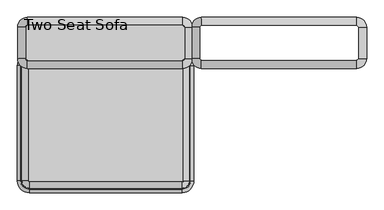
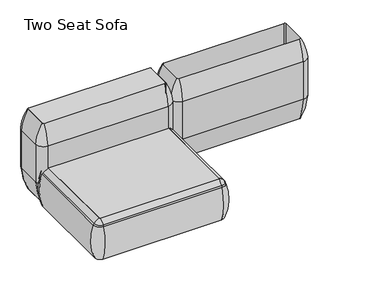
"""IFC4 building model written with IfcOpenShell, lengths in millimetres: furniture geometry, Two Seat Sofa."""

from ifc_helpers import new_model, si_unit, point, frame, frame_2d, origin, place, context, project, spatial, polyline, circle_curve, ellipse_curve, trimmed, segment, composite_curve, outline, extrude, source, transform, mapped, element, save
from ifc_brep_helpers import plane_surface, cylinder_surface, revolved_surface, advanced_brep


def two_seat_sofa_4b68175a(model_context):
    return source(origin(), model_context, "Body", "SolidModel", [
        advanced_brep(
        [(-359.7417225, 103.5149266, 283.1115097), (-359.7417225, 103.5149266, 543.4615097), (-359.7417225, -55.2078555, 543.4615097), (-359.7417225, -55.2078555, 283.1115097), (-400.4680298, 103.5149266, 123.9999984), (-400.4680298, -55.2078555, 123.9999984), (-400.4680298, 103.5149266, 676.7599216), (-400.4680298, -55.2078555, 676.7599216), (-410.293105, -105.759238, 283.1115097), (-410.293105, -105.759238, 543.4615097), (-1200.0197319, -105.759238, 543.4615097), (-1200.0197319, -105.759238, 283.1115097), (-410.293105, -65.0329307, 123.9999984), (-1200.0197319, -65.0329307, 123.9999984), (-410.293105, -65.0329307, 676.7599216), (-1200.0197319, -65.0329307, 676.7599216), (-1250.5711144, -55.2078555, 283.1115097), (-1250.5711144, -55.2078555, 543.4615097), (-1250.5711144, 103.5149266, 543.4615097), (-1250.5711144, 103.5149266, 283.1115097), (-1209.8448071, -55.2078555, 123.9999984), (-1209.8448071, 103.5149266, 123.9999984), (-1209.8448071, -55.2078555, 676.7599216), (-1209.8448071, 103.5149266, 676.7599216), (-1200.0197319, 154.0663091, 283.1115097), (-1200.0197319, 154.0663091, 543.4615097), (-410.293105, 154.0663091, 543.4615097), (-410.293105, 154.0663091, 283.1115097), (-1200.0197319, 113.3400018, 123.9999984), (-410.293105, 113.3400018, 123.9999984), (-1200.0197319, 113.3400018, 676.7599216), (-410.293105, 113.3400018, 676.7599216)],
        [
            (0, 1, circle_curve(frame((-2166.2293647, 103.5149266, 413.2865097), z_axis=(0.0, -1.0, 0.0), x_axis=(1.0, 0.0, 0.0)), 1811.1717567)),
            (1, 2),
            (2, 3, circle_curve(frame((-2166.2293647, -55.2078555, 413.2865097), z_axis=(0.0, 1.0, 0.0), x_axis=(1.0, 0.0, 0.0)), 1811.1717567)),
            (3, 0),
            (4, 0, circle_curve(frame((-820.6848177, 103.5149266, 316.3269417), z_axis=(0.0, -1.0, 0.0), x_axis=(1.0, 0.0, 0.0)), 462.1382931)),
            (3, 5, circle_curve(frame((-820.6848177, -55.2078555, 316.3269417), z_axis=(0.0, 1.0, 0.0), x_axis=(1.0, 0.0, 0.0)), 462.1382931)),
            (5, 4),
            (6, 4),
            (5, 7),
            (7, 6),
            (8, 9, circle_curve(frame((-410.293105, 1700.7284043, 413.2865097), z_axis=(-1.0, 0.0, 0.0), x_axis=(0.0, -1.0, 0.0)), 1811.1717567)),
            (9, 10),
            (10, 11, circle_curve(frame((-1200.0197319, 1700.7284043, 413.2865097), z_axis=(1.0, 0.0, 0.0), x_axis=(0.0, -1.0, 0.0)), 1811.1717567)),
            (11, 8),
            (12, 8, circle_curve(frame((-410.293105, 355.1838572, 316.3269417), z_axis=(-1.0, 0.0, 0.0), x_axis=(0.0, -1.0, 0.0)), 462.1382931)),
            (11, 13, circle_curve(frame((-1200.0197319, 355.1838572, 316.3269417), z_axis=(1.0, 0.0, 0.0), x_axis=(0.0, -1.0, 0.0)), 462.1382931)),
            (13, 12),
            (14, 12),
            (13, 15),
            (15, 14),
            (16, 17, circle_curve(frame((555.9165278, -55.2078555, 413.2865097), z_axis=(0.0, 1.0, 0.0), x_axis=(-1.0, 0.0, 0.0)), 1811.1717567)),
            (17, 18),
            (18, 19, circle_curve(frame((555.9165278, 103.5149266, 413.2865097), z_axis=(0.0, -1.0, 0.0), x_axis=(-1.0, 0.0, 0.0)), 1811.1717567)),
            (19, 16),
            (20, 16, circle_curve(frame((-789.6280192, -55.2078555, 316.3269417), z_axis=(0.0, 1.0, 0.0), x_axis=(-1.0, 0.0, 0.0)), 462.1382931)),
            (19, 21, circle_curve(frame((-789.6280192, 103.5149266, 316.3269417), z_axis=(0.0, -1.0, 0.0), x_axis=(-1.0, 0.0, 0.0)), 462.1382931)),
            (21, 20),
            (22, 20),
            (21, 23),
            (23, 22),
            (24, 25, circle_curve(frame((-1200.0197319, -1652.4213331, 413.2865097), z_axis=(1.0, 0.0, 0.0), x_axis=(0.0, 1.0, 0.0)), 1811.1717567)),
            (25, 26),
            (26, 27, circle_curve(frame((-410.293105, -1652.4213331, 413.2865097), z_axis=(-1.0, 0.0, 0.0), x_axis=(0.0, 1.0, 0.0)), 1811.1717567)),
            (27, 24),
            (28, 24, circle_curve(frame((-1200.0197319, -306.8767861, 316.3269417), z_axis=(1.0, 0.0, 0.0), x_axis=(0.0, 1.0, 0.0)), 462.1382931)),
            (27, 29, circle_curve(frame((-410.293105, -306.8767861, 316.3269417), z_axis=(-1.0, 0.0, 0.0), x_axis=(0.0, 1.0, 0.0)), 462.1382931)),
            (29, 28),
            (30, 28),
            (29, 31),
            (31, 30),
            (0, 27, circle_curve(frame((-410.293105, 103.5149266, 283.1115097), z_axis=(0.0, 0.0, 1.0), x_axis=(0.0, 1.0, 0.0)), 50.5513825)),
            (26, 1, circle_curve(frame((-410.293105, 103.5149266, 543.4615097), z_axis=(0.0, 0.0, -1.0), x_axis=(0.0, 1.0, 0.0)), 50.5513825)),
            (4, 29, circle_curve(frame((-410.293105, 103.5149266, 123.9999984), z_axis=(0.0, 0.0, 1.0), x_axis=(0.0, 1.0, 0.0)), 9.8250752)),
            (6, 31, circle_curve(frame((-410.293105, 103.5149266, 676.7599216), z_axis=(0.0, 0.0, 1.0), x_axis=(0.0, 1.0, 0.0)), 9.8250752)),
            (8, 3, circle_curve(frame((-410.293105, -55.2078555, 283.1115097), z_axis=(0.0, 0.0, 1.0), x_axis=(1.0, 0.0, 0.0)), 50.5513825)),
            (2, 9, circle_curve(frame((-410.293105, -55.2078555, 543.4615097), z_axis=(0.0, 0.0, -1.0), x_axis=(1.0, 0.0, 0.0)), 50.5513825)),
            (12, 5, circle_curve(frame((-410.293105, -55.2078555, 123.9999984), z_axis=(0.0, 0.0, 1.0), x_axis=(1.0, 0.0, 0.0)), 9.8250752)),
            (14, 7, circle_curve(frame((-410.293105, -55.2078555, 676.7599216), z_axis=(0.0, 0.0, 1.0), x_axis=(1.0, 0.0, 0.0)), 9.8250752)),
            (16, 11, circle_curve(frame((-1200.0197319, -55.2078555, 283.1115097), z_axis=(0.0, 0.0, 1.0), x_axis=(0.0, -1.0, 0.0)), 50.5513825)),
            (10, 17, circle_curve(frame((-1200.0197319, -55.2078555, 543.4615097), z_axis=(0.0, 0.0, -1.0), x_axis=(0.0, -1.0, 0.0)), 50.5513825)),
            (20, 13, circle_curve(frame((-1200.0197319, -55.2078555, 123.9999984), z_axis=(0.0, 0.0, 1.0), x_axis=(0.0, -1.0, 0.0)), 9.8250752)),
            (22, 15, circle_curve(frame((-1200.0197319, -55.2078555, 676.7599216), z_axis=(0.0, 0.0, 1.0), x_axis=(0.0, -1.0, 0.0)), 9.8250752)),
            (24, 19, circle_curve(frame((-1200.0197319, 103.5149266, 283.1115097), z_axis=(0.0, 0.0, 1.0), x_axis=(-1.0, 0.0, 0.0)), 50.5513825)),
            (18, 25, circle_curve(frame((-1200.0197319, 103.5149266, 543.4615097), z_axis=(0.0, 0.0, -1.0), x_axis=(-1.0, 0.0, 0.0)), 50.5513825)),
            (28, 21, circle_curve(frame((-1200.0197319, 103.5149266, 123.9999984), z_axis=(0.0, 0.0, 1.0), x_axis=(-1.0, 0.0, 0.0)), 9.8250752)),
            (30, 23, circle_curve(frame((-1200.0197319, 103.5149266, 676.7599216), z_axis=(0.0, 0.0, 1.0), x_axis=(-1.0, 0.0, 0.0)), 9.8250752)),
            (26, 31, circle_curve(frame((-410.293105, -158.0571081, 520.9699825), z_axis=(1.0, 0.0, 0.0), x_axis=(0.0, 1.0, 0.0)), 312.9327346)),
            (6, 1, circle_curve(frame((-671.8651397, 103.5149266, 520.9699825), z_axis=(0.0, 1.0, 0.0), x_axis=(1.0, 0.0, 0.0)), 312.9327346)),
            (7, 2, circle_curve(frame((-671.8651397, -55.2078555, 520.9699825), z_axis=(0.0, 1.0, 0.0), x_axis=(1.0, 0.0, 0.0)), 312.9327346)),
            (14, 9, circle_curve(frame((-410.293105, 206.3641793, 520.9699825), z_axis=(1.0, 0.0, 0.0), x_axis=(0.0, -1.0, 0.0)), 312.9327346)),
            (15, 10, circle_curve(frame((-1200.0197319, 206.3641793, 520.9699825), z_axis=(1.0, 0.0, 0.0), x_axis=(0.0, -1.0, 0.0)), 312.9327346)),
            (22, 17, circle_curve(frame((-938.4476972, -55.2078555, 520.9699825), z_axis=(0.0, -1.0, 0.0), x_axis=(-1.0, 0.0, 0.0)), 312.9327346)),
            (23, 18, circle_curve(frame((-938.4476972, 103.5149266, 520.9699825), z_axis=(0.0, -1.0, 0.0), x_axis=(-1.0, 0.0, 0.0)), 312.9327346)),
            (30, 25, circle_curve(frame((-1200.0197319, -158.0571081, 520.9699825), z_axis=(-1.0, 0.0, 0.0), x_axis=(0.0, 1.0, 0.0)), 312.9327346)),
        ],
        [
            cylinder_surface(frame((-2166.2293647, 103.5149266, 413.2865097), z_axis=(0.0, 1.0, 0.0), x_axis=(1.0, 0.0, 0.0)), 1811.1717567),
            cylinder_surface(frame((-820.6848177, 103.5149266, 316.3269417), z_axis=(0.0, 1.0, 0.0), x_axis=(1.0, 0.0, 0.0)), 462.1382931),
            plane_surface(frame((-400.4680298, 103.5149266, 123.9999984), z_axis=(-1.0, 0.0, 0.0), x_axis=(0.0, -1.0, 0.0))),
            cylinder_surface(frame((-410.293105, 1700.7284043, 413.2865097), z_axis=(1.0, 0.0, 0.0), x_axis=(0.0, -1.0, 0.0)), 1811.1717567),
            cylinder_surface(frame((-410.293105, 355.1838572, 316.3269417), z_axis=(1.0, 0.0, 0.0), x_axis=(0.0, -1.0, 0.0)), 462.1382931),
            plane_surface(frame((-410.293105, -65.0329307, 123.9999984), z_axis=(0.0, 1.0, 0.0), x_axis=(-1.0, 0.0, 0.0))),
            cylinder_surface(frame((555.9165278, -55.2078555, 413.2865097), z_axis=(0.0, -1.0, 0.0), x_axis=(-1.0, 0.0, 0.0)), 1811.1717567),
            cylinder_surface(frame((-789.6280192, -55.2078555, 316.3269417), z_axis=(0.0, -1.0, 0.0), x_axis=(-1.0, 0.0, 0.0)), 462.1382931),
            plane_surface(frame((-1209.8448071, -55.2078555, 123.9999984), z_axis=(1.0, 0.0, 0.0), x_axis=(0.0, 1.0, 0.0))),
            cylinder_surface(frame((-1200.0197319, -1652.4213331, 413.2865097), z_axis=(-1.0, 0.0, 0.0), x_axis=(0.0, 1.0, 0.0)), 1811.1717567),
            cylinder_surface(frame((-1200.0197319, -306.8767861, 316.3269417), z_axis=(-1.0, 0.0, 0.0), x_axis=(0.0, 1.0, 0.0)), 462.1382931),
            plane_surface(frame((-1200.0197319, 113.3400018, 123.9999984), z_axis=(0.0, -1.0, 0.0), x_axis=(1.0, 0.0, 0.0))),
            revolved_surface(trimmed(ellipse_curve(frame((-410.293105, -1652.4213331, 413.2865097), z_axis=(-1.0, 0.0, 0.0), x_axis=(0.0, 1.0, 0.0)), 1811.1717567, 1811.1717567), [point((-410.293105, 154.0663091, 543.4615097))], [point((-410.293105, 154.0663091, 283.1115097))], True, "CARTESIAN"), (-410.293105, 103.5149266, -1.2587073), (0.0, 0.0, -1.0)),
            revolved_surface(trimmed(ellipse_curve(frame((-410.293105, -306.8767861, 316.3269417), z_axis=(-1.0, 0.0, 0.0), x_axis=(0.0, 1.0, 0.0)), 462.1382931, 462.1382931), [point((-410.293105, 154.0663091, 283.1115097))], [point((-410.293105, 113.3400018, 123.9999984))], True, "CARTESIAN"), (-410.293105, 103.5149266, -1.2587073), (0.0, 0.0, -1.0)),
            revolved_surface(polyline([(-410.293105, 113.3400018, 123.9999984), (-410.293105, 113.3400018, 676.7599216)]), (-410.293105, 103.5149266, -1.2587073), (0.0, 0.0, -1.0)),
            revolved_surface(trimmed(ellipse_curve(frame((-2166.2293647, -55.2078555, 413.2865097), z_axis=(0.0, 1.0, 0.0), x_axis=(1.0, 0.0, 0.0)), 1811.1717567, 1811.1717567), [point((-359.7417225, -55.2078555, 543.4615097))], [point((-359.7417225, -55.2078555, 283.1115097))], True, "CARTESIAN"), (-410.293105, -55.2078555, -1.2587073), (0.0, 0.0, -1.0)),
            revolved_surface(trimmed(ellipse_curve(frame((-820.6848177, -55.2078555, 316.3269417), z_axis=(0.0, 1.0, 0.0), x_axis=(1.0, 0.0, 0.0)), 462.1382931, 462.1382931), [point((-359.7417225, -55.2078555, 283.1115097))], [point((-400.4680298, -55.2078555, 123.9999984))], True, "CARTESIAN"), (-410.293105, -55.2078555, -1.2587073), (0.0, 0.0, -1.0)),
            revolved_surface(polyline([(-400.4680298, -55.2078555, 123.9999984), (-400.4680298, -55.2078555, 676.7599216)]), (-410.293105, -55.2078555, -1.2587073), (0.0, 0.0, -1.0)),
            revolved_surface(trimmed(ellipse_curve(frame((-1200.0197319, 1700.7284043, 413.2865097), z_axis=(1.0, 0.0, 0.0), x_axis=(0.0, -1.0, 0.0)), 1811.1717567, 1811.1717567), [point((-1200.0197319, -105.759238, 543.4615097))], [point((-1200.0197319, -105.759238, 283.1115097))], True, "CARTESIAN"), (-1200.0197319, -55.2078555, -1.2587073), (0.0, 0.0, -1.0)),
            revolved_surface(trimmed(ellipse_curve(frame((-1200.0197319, 355.1838572, 316.3269417), z_axis=(1.0, 0.0, 0.0), x_axis=(0.0, -1.0, 0.0)), 462.1382931, 462.1382931), [point((-1200.0197319, -105.759238, 283.1115097))], [point((-1200.0197319, -65.0329307, 123.9999984))], True, "CARTESIAN"), (-1200.0197319, -55.2078555, -1.2587073), (0.0, 0.0, -1.0)),
            revolved_surface(polyline([(-1200.0197319, -65.03293070000001, 123.9999984), (-1200.0197319, -65.03293070000001, 676.7599216)]), (-1200.0197319, -55.2078555, -1.2587073), (0.0, 0.0, -1.0)),
            revolved_surface(trimmed(ellipse_curve(frame((555.9165278, 103.5149266, 413.2865097), z_axis=(0.0, -1.0, 0.0), x_axis=(-1.0, 0.0, 0.0)), 1811.1717567, 1811.1717567), [point((-1250.5711144, 103.5149266, 543.4615097))], [point((-1250.5711144, 103.5149266, 283.1115097))], True, "CARTESIAN"), (-1200.0197319, 103.5149266, -1.2587073), (0.0, 0.0, -1.0)),
            revolved_surface(trimmed(ellipse_curve(frame((-789.6280192, 103.5149266, 316.3269417), z_axis=(0.0, -1.0, 0.0), x_axis=(-1.0, 0.0, 0.0)), 462.1382931, 462.1382931), [point((-1250.5711144, 103.5149266, 283.1115097))], [point((-1209.8448071, 103.5149266, 123.9999984))], True, "CARTESIAN"), (-1200.0197319, 103.5149266, -1.2587073), (0.0, 0.0, -1.0)),
            revolved_surface(polyline([(-1209.8448070999998, 103.5149266, 123.9999984), (-1209.8448070999998, 103.5149266, 676.7599216)]), (-1200.0197319, 103.5149266, -1.2587073), (0.0, 0.0, -1.0)),
            revolved_surface(trimmed(ellipse_curve(frame((-410.293105, -158.0571081, 520.9699825), z_axis=(-1.0, 0.0, 0.0), x_axis=(0.0, 1.0, 0.0)), 312.9327346, 312.9327346), [point((-410.293105, 113.3400018, 676.7599216))], [point((-410.293105, 154.0663091, 543.4615097))], True, "CARTESIAN"), (-410.293105, 103.5149266, -1.2587073), (0.0, 0.0, -1.0)),
            cylinder_surface(frame((-671.8651397, 103.5149266, 520.9699825), z_axis=(0.0, 1.0, 0.0), x_axis=(1.0, 0.0, 0.0)), 312.9327346),
            revolved_surface(trimmed(ellipse_curve(frame((-671.8651397, -55.2078555, 520.9699825), z_axis=(0.0, 1.0, 0.0), x_axis=(1.0, 0.0, 0.0)), 312.9327346, 312.9327346), [point((-400.4680298, -55.2078555, 676.7599216))], [point((-359.7417225, -55.2078555, 543.4615097))], True, "CARTESIAN"), (-410.293105, -55.2078555, -1.2587073), (0.0, 0.0, -1.0)),
            cylinder_surface(frame((-410.293105, 206.3641793, 520.9699825), z_axis=(1.0, 0.0, 0.0), x_axis=(0.0, -1.0, 0.0)), 312.9327346),
            revolved_surface(trimmed(ellipse_curve(frame((-1200.0197319, 206.3641793, 520.9699825), z_axis=(1.0, 0.0, 0.0), x_axis=(0.0, -1.0, 0.0)), 312.9327346, 312.9327346), [point((-1200.0197319, -65.0329307, 676.7599216))], [point((-1200.0197319, -105.759238, 543.4615097))], True, "CARTESIAN"), (-1200.0197319, -55.2078555, -1.2587073), (0.0, 0.0, -1.0)),
            cylinder_surface(frame((-938.4476972, -55.2078555, 520.9699825), z_axis=(0.0, -1.0, 0.0), x_axis=(-1.0, 0.0, 0.0)), 312.9327346),
            revolved_surface(trimmed(ellipse_curve(frame((-938.4476972, 103.5149266, 520.9699825), z_axis=(0.0, -1.0, 0.0), x_axis=(-1.0, 0.0, 0.0)), 312.9327346, 312.9327346), [point((-1209.8448071, 103.5149266, 676.7599216))], [point((-1250.5711144, 103.5149266, 543.4615097))], True, "CARTESIAN"), (-1200.0197319, 103.5149266, -1.2587073), (0.0, 0.0, -1.0)),
            cylinder_surface(frame((-1200.0197319, -158.0571081, 520.9699825), z_axis=(-1.0, 0.0, 0.0), x_axis=(0.0, 1.0, 0.0)), 312.9327346),
        ],
        [
            (0, [[1, 2, 3, 4]]),
            (1, [[5, -4, 6, 7]]),
            (2, [[8, -7, 9, 10]]),
            (3, [[11, 12, 13, 14]]),
            (4, [[15, -14, 16, 17]]),
            (5, [[18, -17, 19, 20]]),
            (6, [[21, 22, 23, 24]]),
            (7, [[25, -24, 26, 27]]),
            (8, [[28, -27, 29, 30]]),
            (9, [[31, 32, 33, 34]]),
            (10, [[35, -34, 36, 37]]),
            (11, [[38, -37, 39, 40]]),
            (12, [[41, -33, 42, -1]]),
            (13, [[43, -36, -41, -5]]),
            (14, [[44, -39, -43, -8]]),
            (15, [[45, -3, 46, -11]]),
            (16, [[47, -6, -45, -15]]),
            (17, [[48, -9, -47, -18]]),
            (18, [[49, -13, 50, -21]]),
            (19, [[51, -16, -49, -25]]),
            (20, [[52, -19, -51, -28]]),
            (21, [[53, -23, 54, -31]]),
            (22, [[55, -26, -53, -35]]),
            (23, [[56, -29, -55, -38]]),
            (24, [[-42, 57, -44, 58]]),
            (25, [[-58, -10, 59, -2]]),
            (26, [[-46, -59, -48, 60]]),
            (27, [[-60, -20, 61, -12]]),
            (28, [[-50, -61, -52, 62]]),
            (29, [[-62, -30, 63, -22]]),
            (30, [[-54, -63, -56, 64]]),
            (31, [[-64, -40, -57, -32]]),
        ],
    ),
        extrude(outline(composite_curve([segment(polyline([(-1209.8448071, -55.2078555), (-1209.8448071, 103.5149266)]), True, "CONTINUOUS"), segment(trimmed(circle_curve(frame_2d((-1200.0197319, 103.5149266)), 9.8250752), [point((-1209.8448071, 103.5149266))], [point((-1200.0197319, 113.3400018))], False, "CARTESIAN"), True, "CONTINUOUS"), segment(polyline([(-1200.0197319, 113.3400018), (-410.293105, 113.3400018)]), True, "CONTINUOUS"), segment(trimmed(circle_curve(frame_2d((-410.293105, 103.5149266)), 9.8250752), [point((-410.293105, 113.3400018))], [point((-400.4680298, 103.5149266))], False, "CARTESIAN"), True, "CONTINUOUS"), segment(polyline([(-400.4680298, 103.5149266), (-400.4680298, -55.2078555)]), True, "CONTINUOUS"), segment(trimmed(circle_curve(frame_2d((-410.293105, -55.2078555)), 9.8250752), [point((-400.4680298, -55.2078555))], [point((-410.293105, -65.0329307))], False, "CARTESIAN"), True, "CONTINUOUS"), segment(polyline([(-410.293105, -65.0329307), (-1200.0197319, -65.0329307)]), True, "CONTINUOUS"), segment(trimmed(circle_curve(frame_2d((-1200.0197319, -55.2078555)), 9.8250752), [point((-1200.0197319, -65.0329307))], [point((-1209.8448071, -55.2078555))], False, "CARTESIAN"), True, "CONTINUOUS")], self_intersect=False)), frame((0.0, 0.0, 123.9999984), z_axis=(0.0, 0.0, 1.0), x_axis=(1.0, 0.0, 0.0)), (0.0, 0.0, 1.0), 552.7599232),
        advanced_brep(
        [(-1197.0550173, -680.3856623, 390.3914007), (-1191.77521, -685.6654695, 390.3914007), (-1191.77521, -685.6654695, 123.9999984), (-1197.0550173, -680.3856623, 123.9999984), (-1225.7430615, -680.3856623, 123.9999984), (-1191.77521, -714.3535137, 123.9999984), (-1191.77521, -722.0329787, 353.7769053), (-1233.4225265, -680.3856623, 353.7769053), (-1197.0550173, -92.2092577, 123.9999984), (-1197.0550173, -92.2092577, 390.3914007), (-1233.4225265, -92.2092577, 353.7769053), (-1225.7430615, -92.2092577, 123.9999984), (-1191.77521, -86.9294504, 390.3914007), (-1191.77521, -86.9294504, 123.9999984), (-1191.77521, -58.2414063, 123.9999984), (-1191.77521, -50.5619412, 353.7769053), (-411.99521, -86.9294504, 123.9999984), (-411.99521, -86.9294504, 390.3914007), (-411.99521, -50.5619412, 353.7769053), (-411.99521, -58.2414063, 123.9999984), (-406.7154028, -92.2092577, 390.3914007), (-406.7154028, -92.2092577, 123.9999984), (-378.0273586, -92.2092577, 123.9999984), (-370.3478936, -92.2092577, 353.7769053), (-406.7154028, -680.3856623, 123.9999984), (-406.7154028, -680.3856623, 390.3914007), (-370.3478936, -680.3856623, 353.7769053), (-378.0273586, -680.3856623, 123.9999984), (-411.99521, -685.6654695, 390.3914007), (-411.99521, -685.6654695, 123.9999984), (-411.99521, -714.3535137, 123.9999984), (-411.99521, -722.0329787, 353.7769053), (-1228.2040666, -680.3856623, 363.6402875), (-1191.77521, -716.8145188, 363.6402875), (-1228.2040666, -92.2092577, 363.6402875), (-1191.77521, -55.7804011, 363.6402875), (-411.99521, -55.7804011, 363.6402875), (-375.5663535, -92.2092577, 363.6402875), (-375.5663535, -680.3856623, 363.6402875), (-411.99521, -716.8145188, 363.6402875)],
        [
            (0, 1, circle_curve(frame((-1191.77521, -680.3856623, 390.3914007), z_axis=(0.0, 0.0, 1.0), x_axis=(0.0, -1.0, 0.0)), 5.2798073)),
            (1, 2),
            (2, 3, circle_curve(frame((-1191.77521, -680.3856623, 123.9999984), z_axis=(0.0, 0.0, -1.0), x_axis=(0.0, -1.0, 0.0)), 5.2798073)),
            (3, 0),
            (4, 5, circle_curve(frame((-1191.77521, -680.3856623, 123.9999984), z_axis=(0.0, 0.0, 1.0), x_axis=(0.0, -1.0, 0.0)), 33.9678514)),
            (5, 6, circle_curve(frame((-1191.77521, -417.9792297, 248.9220234), z_axis=(-1.0, 0.0, 0.0), x_axis=(0.0, -1.0, 0.0)), 321.625914)),
            (6, 7, circle_curve(frame((-1191.77521, -680.3856623, 353.7769053), z_axis=(0.0, 0.0, -1.0), x_axis=(0.0, -1.0, 0.0)), 41.6473165)),
            (7, 4, circle_curve(frame((-929.3687775, -680.3856623, 248.9220234), z_axis=(0.0, -1.0, 0.0), x_axis=(-1.0, 0.0, 0.0)), 321.625914)),
            (3, 8),
            (8, 9),
            (9, 0),
            (7, 10),
            (10, 11, circle_curve(frame((-929.3687775, -92.2092577, 248.9220234), z_axis=(0.0, -1.0, 0.0), x_axis=(-1.0, 0.0, 0.0)), 321.625914)),
            (11, 4),
            (12, 9, circle_curve(frame((-1191.77521, -92.2092577, 390.3914007), z_axis=(0.0, 0.0, 1.0), x_axis=(-1.0, 0.0, 0.0)), 5.2798073)),
            (8, 13, circle_curve(frame((-1191.77521, -92.2092577, 123.9999984), z_axis=(0.0, 0.0, -1.0), x_axis=(-1.0, 0.0, 0.0)), 5.2798073)),
            (13, 12),
            (14, 11, circle_curve(frame((-1191.77521, -92.2092577, 123.9999984), z_axis=(0.0, 0.0, 1.0), x_axis=(-1.0, 0.0, 0.0)), 33.9678514)),
            (10, 15, circle_curve(frame((-1191.77521, -92.2092577, 353.7769053), z_axis=(0.0, 0.0, -1.0), x_axis=(-1.0, 0.0, 0.0)), 41.6473165)),
            (15, 14, circle_curve(frame((-1191.77521, -354.6156902, 248.9220234), z_axis=(-1.0, 0.0, 0.0), x_axis=(0.0, 1.0, 0.0)), 321.625914)),
            (13, 16),
            (16, 17),
            (17, 12),
            (15, 18),
            (18, 19, circle_curve(frame((-411.99521, -354.6156902, 248.9220234), z_axis=(-1.0, 0.0, 0.0), x_axis=(0.0, 1.0, 0.0)), 321.625914)),
            (19, 14),
            (20, 17, circle_curve(frame((-411.99521, -92.2092577, 390.3914007), z_axis=(0.0, 0.0, 1.0), x_axis=(0.0, 1.0, 0.0)), 5.2798073)),
            (16, 21, circle_curve(frame((-411.99521, -92.2092577, 123.9999984), z_axis=(0.0, 0.0, -1.0), x_axis=(0.0, 1.0, 0.0)), 5.2798073)),
            (21, 20),
            (22, 19, circle_curve(frame((-411.99521, -92.2092577, 123.9999984), z_axis=(0.0, 0.0, 1.0), x_axis=(0.0, 1.0, 0.0)), 33.9678514)),
            (18, 23, circle_curve(frame((-411.99521, -92.2092577, 353.7769053), z_axis=(0.0, 0.0, -1.0), x_axis=(0.0, 1.0, 0.0)), 41.6473165)),
            (23, 22, circle_curve(frame((-674.4016426, -92.2092577, 248.9220234), z_axis=(0.0, 1.0, 0.0), x_axis=(1.0, 0.0, 0.0)), 321.625914)),
            (21, 24),
            (24, 25),
            (25, 20),
            (23, 26),
            (26, 27, circle_curve(frame((-674.4016426, -680.3856623, 248.9220234), z_axis=(0.0, 1.0, 0.0), x_axis=(1.0, 0.0, 0.0)), 321.625914)),
            (27, 22),
            (28, 25, circle_curve(frame((-411.99521, -680.3856623, 390.3914007), z_axis=(0.0, 0.0, 1.0), x_axis=(1.0, 0.0, 0.0)), 5.2798073)),
            (24, 29, circle_curve(frame((-411.99521, -680.3856623, 123.9999984), z_axis=(0.0, 0.0, -1.0), x_axis=(1.0, 0.0, 0.0)), 5.2798073)),
            (29, 28),
            (30, 27, circle_curve(frame((-411.99521, -680.3856623, 123.9999984), z_axis=(0.0, 0.0, 1.0), x_axis=(1.0, 0.0, 0.0)), 33.9678514)),
            (26, 31, circle_curve(frame((-411.99521, -680.3856623, 353.7769053), z_axis=(0.0, 0.0, -1.0), x_axis=(1.0, 0.0, 0.0)), 41.6473165)),
            (31, 30, circle_curve(frame((-411.99521, -417.9792297, 248.9220234), z_axis=(1.0, 0.0, 0.0), x_axis=(0.0, -1.0, 0.0)), 321.625914)),
            (30, 5),
            (2, 29),
            (1, 28),
            (31, 6),
            (32, 33, circle_curve(frame((-1191.77521, -680.3856623, 363.6402875), z_axis=(0.0, 0.0, 1.0), x_axis=(0.0, -1.0, 0.0)), 36.4288566)),
            (33, 1, circle_curve(frame((-1191.77521, -641.43285, 307.3762868), z_axis=(-1.0, 0.0, 0.0), x_axis=(0.0, -1.0, 0.0)), 94.0639876)),
            (0, 32, circle_curve(frame((-1152.8223978, -680.3856623, 307.3762868), z_axis=(0.0, -1.0, 0.0), x_axis=(-1.0, 0.0, 0.0)), 94.0639876)),
            (6, 33, circle_curve(frame((-1191.77521, -687.7682596, 341.9604975), z_axis=(-1.0, 0.0, 0.0), x_axis=(0.0, -1.0, 0.0)), 36.2449785)),
            (32, 7, circle_curve(frame((-1199.1578074, -680.3856623, 341.9604975), z_axis=(0.0, -1.0, 0.0), x_axis=(-1.0, 0.0, 0.0)), 36.2449785)),
            (9, 34, circle_curve(frame((-1152.8223978, -92.2092577, 307.3762868), z_axis=(0.0, -1.0, 0.0), x_axis=(-1.0, 0.0, 0.0)), 94.0639876)),
            (34, 32),
            (34, 10, circle_curve(frame((-1199.1578074, -92.2092577, 341.9604975), z_axis=(0.0, -1.0, 0.0), x_axis=(-1.0, 0.0, 0.0)), 36.2449785)),
            (35, 34, circle_curve(frame((-1191.77521, -92.2092577, 363.6402875), z_axis=(0.0, 0.0, 1.0), x_axis=(-1.0, 0.0, 0.0)), 36.4288566)),
            (12, 35, circle_curve(frame((-1191.77521, -131.1620699, 307.3762868), z_axis=(-1.0, 0.0, 0.0), x_axis=(0.0, 1.0, 0.0)), 94.0639876)),
            (35, 15, circle_curve(frame((-1191.77521, -84.8266603, 341.9604975), z_axis=(-1.0, 0.0, 0.0), x_axis=(0.0, 1.0, 0.0)), 36.2449785)),
            (17, 36, circle_curve(frame((-411.99521, -131.1620699, 307.3762868), z_axis=(-1.0, 0.0, 0.0), x_axis=(0.0, 1.0, 0.0)), 94.0639876)),
            (36, 35),
            (36, 18, circle_curve(frame((-411.99521, -84.8266603, 341.9604975), z_axis=(-1.0, 0.0, 0.0), x_axis=(0.0, 1.0, 0.0)), 36.2449785)),
            (37, 36, circle_curve(frame((-411.99521, -92.2092577, 363.6402875), z_axis=(0.0, 0.0, 1.0), x_axis=(0.0, 1.0, 0.0)), 36.4288566)),
            (20, 37, circle_curve(frame((-450.9480223, -92.2092577, 307.3762868), z_axis=(0.0, 1.0, 0.0), x_axis=(1.0, 0.0, 0.0)), 94.0639876)),
            (37, 23, circle_curve(frame((-404.6126126, -92.2092577, 341.9604975), z_axis=(0.0, 1.0, 0.0), x_axis=(1.0, 0.0, 0.0)), 36.2449785)),
            (25, 38, circle_curve(frame((-450.9480223, -680.3856623, 307.3762868), z_axis=(0.0, 1.0, 0.0), x_axis=(1.0, 0.0, 0.0)), 94.0639876)),
            (38, 37),
            (38, 26, circle_curve(frame((-404.6126126, -680.3856623, 341.9604975), z_axis=(0.0, 1.0, 0.0), x_axis=(1.0, 0.0, 0.0)), 36.2449785)),
            (39, 38, circle_curve(frame((-411.99521, -680.3856623, 363.6402875), z_axis=(0.0, 0.0, 1.0), x_axis=(1.0, 0.0, 0.0)), 36.4288566)),
            (28, 39, circle_curve(frame((-411.99521, -641.43285, 307.3762868), z_axis=(1.0, 0.0, 0.0), x_axis=(0.0, -1.0, 0.0)), 94.0639876)),
            (39, 31, circle_curve(frame((-411.99521, -687.7682596, 341.9604975), z_axis=(1.0, 0.0, 0.0), x_axis=(0.0, -1.0, 0.0)), 36.2449785)),
            (33, 39),
        ],
        [
            revolved_surface(polyline([(-1191.77521, -685.6654696, 123.9999984), (-1191.77521, -685.6654696, 390.3914007)]), (-1191.77521, -680.3856623, 0.0), (0.0, 0.0, -1.0)),
            revolved_surface(trimmed(ellipse_curve(frame((-1191.77521, -417.9792297, 248.9220234), z_axis=(1.0, 0.0, 0.0), x_axis=(0.0, -1.0, 0.0)), 321.625914, 321.625914), [point((-1191.77521, -722.0329787, 353.7769053))], [point((-1191.77521, -714.3535137, 123.9999984))], True, "CARTESIAN"), (-1191.77521, -680.3856623, 0.0), (0.0, 0.0, -1.0)),
            plane_surface(frame((-1197.0550173, -680.3856623, 123.9999984), z_axis=(1.0, 0.0, 0.0), x_axis=(0.0, 1.0, 0.0))),
            cylinder_surface(frame((-929.3687775, -680.3856623, 248.9220234), z_axis=(0.0, -1.0, 0.0), x_axis=(-1.0, 0.0, 0.0)), 321.625914),
            revolved_surface(polyline([(-1197.0550173, -92.2092577, 123.9999984), (-1197.0550173, -92.2092577, 390.3914007)]), (-1191.77521, -92.2092577, 0.0), (0.0, 0.0, -1.0)),
            revolved_surface(trimmed(ellipse_curve(frame((-929.3687775, -92.2092577, 248.9220234), z_axis=(0.0, -1.0, 0.0), x_axis=(-1.0, 0.0, 0.0)), 321.625914, 321.625914), [point((-1233.4225265, -92.2092577, 353.7769053))], [point((-1225.7430615, -92.2092577, 123.9999984))], True, "CARTESIAN"), (-1191.77521, -92.2092577, 0.0), (0.0, 0.0, -1.0)),
            plane_surface(frame((-1191.77521, -86.9294504, 123.9999984), z_axis=(0.0, -1.0, 0.0), x_axis=(1.0, 0.0, 0.0))),
            cylinder_surface(frame((-1191.77521, -354.6156902, 248.9220234), z_axis=(-1.0, 0.0, 0.0), x_axis=(0.0, 1.0, 0.0)), 321.625914),
            revolved_surface(polyline([(-411.99521, -86.9294504, 123.9999984), (-411.99521, -86.9294504, 390.3914007)]), (-411.99521, -92.2092577, 0.0), (0.0, 0.0, -1.0)),
            revolved_surface(trimmed(ellipse_curve(frame((-411.99521, -354.6156902, 248.9220234), z_axis=(-1.0, 0.0, 0.0), x_axis=(0.0, 1.0, 0.0)), 321.625914, 321.625914), [point((-411.99521, -50.5619412, 353.7769053))], [point((-411.99521, -58.2414063, 123.9999984))], True, "CARTESIAN"), (-411.99521, -92.2092577, 0.0), (0.0, 0.0, -1.0)),
            plane_surface(frame((-406.7154028, -92.2092577, 123.9999984), z_axis=(-1.0, 0.0, 0.0), x_axis=(0.0, -1.0, 0.0))),
            cylinder_surface(frame((-674.4016426, -92.2092577, 248.9220234), z_axis=(0.0, 1.0, 0.0), x_axis=(1.0, 0.0, 0.0)), 321.625914),
            revolved_surface(polyline([(-406.71540269999997, -680.3856623, 123.9999984), (-406.71540269999997, -680.3856623, 390.3914007)]), (-411.99521, -680.3856623, 0.0), (0.0, 0.0, -1.0)),
            revolved_surface(trimmed(ellipse_curve(frame((-674.4016426, -680.3856623, 248.9220234), z_axis=(0.0, 1.0, 0.0), x_axis=(1.0, 0.0, 0.0)), 321.625914, 321.625914), [point((-370.3478936, -680.3856623, 353.7769053))], [point((-378.0273586, -680.3856623, 123.9999984))], True, "CARTESIAN"), (-411.99521, -680.3856623, 0.0), (0.0, 0.0, -1.0)),
            plane_surface(frame((-411.99521, -714.3535137, 123.9999984), z_axis=(0.0, 0.0, -1.0), x_axis=(-1.0, 0.0, 0.0))),
            plane_surface(frame((-411.99521, -685.6654695, 123.9999984), z_axis=(0.0, 1.0, 0.0), x_axis=(-1.0, 0.0, 0.0))),
            cylinder_surface(frame((-411.99521, -417.9792297, 248.9220234), z_axis=(1.0, 0.0, 0.0), x_axis=(0.0, -1.0, 0.0)), 321.625914),
            revolved_surface(trimmed(ellipse_curve(frame((-1191.77521, -641.43285, 307.3762868), z_axis=(1.0, 0.0, 0.0), x_axis=(0.0, -1.0, 0.0)), 94.0639876, 94.0639876), [point((-1191.77521, -685.6654695, 390.3914007))], [point((-1191.77521, -716.8145188, 363.6402875))], True, "CARTESIAN"), (-1191.77521, -680.3856623, 0.0), (0.0, 0.0, -1.0)),
            revolved_surface(trimmed(ellipse_curve(frame((-1191.77521, -687.7682596, 341.9604975), z_axis=(1.0, 0.0, 0.0), x_axis=(0.0, -1.0, 0.0)), 36.2449785, 36.2449785), [point((-1191.77521, -716.8145188, 363.6402875))], [point((-1191.77521, -722.0329787, 353.7769053))], True, "CARTESIAN"), (-1191.77521, -680.3856623, 0.0), (0.0, 0.0, -1.0)),
            cylinder_surface(frame((-1152.8223978, -680.3856623, 307.3762868), z_axis=(0.0, -1.0, 0.0), x_axis=(-1.0, 0.0, 0.0)), 94.0639876),
            cylinder_surface(frame((-1199.1578074, -680.3856623, 341.9604975), z_axis=(0.0, -1.0, 0.0), x_axis=(-1.0, 0.0, 0.0)), 36.2449785),
            revolved_surface(trimmed(ellipse_curve(frame((-1152.8223978, -92.2092577, 307.3762868), z_axis=(0.0, -1.0, 0.0), x_axis=(-1.0, 0.0, 0.0)), 94.0639876, 94.0639876), [point((-1197.0550173, -92.2092577, 390.3914007))], [point((-1228.2040666, -92.2092577, 363.6402875))], True, "CARTESIAN"), (-1191.77521, -92.2092577, 0.0), (0.0, 0.0, -1.0)),
            revolved_surface(trimmed(ellipse_curve(frame((-1199.1578074, -92.2092577, 341.9604975), z_axis=(0.0, -1.0, 0.0), x_axis=(-1.0, 0.0, 0.0)), 36.2449785, 36.2449785), [point((-1228.2040666, -92.2092577, 363.6402875))], [point((-1233.4225265, -92.2092577, 353.7769053))], True, "CARTESIAN"), (-1191.77521, -92.2092577, 0.0), (0.0, 0.0, -1.0)),
            cylinder_surface(frame((-1191.77521, -131.1620699, 307.3762868), z_axis=(-1.0, 0.0, 0.0), x_axis=(0.0, 1.0, 0.0)), 94.0639876),
            cylinder_surface(frame((-1191.77521, -84.8266603, 341.9604975), z_axis=(-1.0, 0.0, 0.0), x_axis=(0.0, 1.0, 0.0)), 36.2449785),
            revolved_surface(trimmed(ellipse_curve(frame((-411.99521, -131.1620699, 307.3762868), z_axis=(-1.0, 0.0, 0.0), x_axis=(0.0, 1.0, 0.0)), 94.0639876, 94.0639876), [point((-411.99521, -86.9294504, 390.3914007))], [point((-411.99521, -55.7804011, 363.6402875))], True, "CARTESIAN"), (-411.99521, -92.2092577, 0.0), (0.0, 0.0, -1.0)),
            revolved_surface(trimmed(ellipse_curve(frame((-411.99521, -84.8266603, 341.9604975), z_axis=(-1.0, 0.0, 0.0), x_axis=(0.0, 1.0, 0.0)), 36.2449785, 36.2449785), [point((-411.99521, -55.7804011, 363.6402875))], [point((-411.99521, -50.5619412, 353.7769053))], True, "CARTESIAN"), (-411.99521, -92.2092577, 0.0), (0.0, 0.0, -1.0)),
            cylinder_surface(frame((-450.9480223, -92.2092577, 307.3762868), z_axis=(0.0, 1.0, 0.0), x_axis=(1.0, 0.0, 0.0)), 94.0639876),
            cylinder_surface(frame((-404.6126126, -92.2092577, 341.9604975), z_axis=(0.0, 1.0, 0.0), x_axis=(1.0, 0.0, 0.0)), 36.2449785),
            revolved_surface(trimmed(ellipse_curve(frame((-450.9480223, -680.3856623, 307.3762868), z_axis=(0.0, 1.0, 0.0), x_axis=(1.0, 0.0, 0.0)), 94.0639876, 94.0639876), [point((-406.7154028, -680.3856623, 390.3914007))], [point((-375.5663535, -680.3856623, 363.6402875))], True, "CARTESIAN"), (-411.99521, -680.3856623, 0.0), (0.0, 0.0, -1.0)),
            revolved_surface(trimmed(ellipse_curve(frame((-404.6126126, -680.3856623, 341.9604975), z_axis=(0.0, 1.0, 0.0), x_axis=(1.0, 0.0, 0.0)), 36.2449785, 36.2449785), [point((-375.5663535, -680.3856623, 363.6402875))], [point((-370.3478936, -680.3856623, 353.7769053))], True, "CARTESIAN"), (-411.99521, -680.3856623, 0.0), (0.0, 0.0, -1.0)),
            cylinder_surface(frame((-411.99521, -641.43285, 307.3762868), z_axis=(1.0, 0.0, 0.0), x_axis=(0.0, -1.0, 0.0)), 94.0639876),
            cylinder_surface(frame((-411.99521, -687.7682596, 341.9604975), z_axis=(1.0, 0.0, 0.0), x_axis=(0.0, -1.0, 0.0)), 36.2449785),
        ],
        [
            (0, [[1, 2, 3, 4]]),
            (1, [[5, 6, 7, 8]]),
            (2, [[-4, 9, 10, 11]]),
            (3, [[-8, 12, 13, 14]]),
            (4, [[15, -10, 16, 17]]),
            (5, [[18, -13, 19, 20]]),
            (6, [[-17, 21, 22, 23]]),
            (7, [[-20, 24, 25, 26]]),
            (8, [[27, -22, 28, 29]]),
            (9, [[30, -25, 31, 32]]),
            (10, [[-29, 33, 34, 35]]),
            (11, [[-32, 36, 37, 38]]),
            (12, [[39, -34, 40, 41]]),
            (13, [[42, -37, 43, 44]]),
            (14, [[-38, -42, 45, -5, -14, -18, -26, -30], [46, -40, -33, -28, -21, -16, -9, -3]]),
            (15, [[-41, -46, -2, 47]]),
            (16, [[-44, 48, -6, -45]]),
            (17, [[49, 50, -1, 51]]),
            (18, [[-7, 52, -49, 53]]),
            (19, [[-51, -11, 54, 55]]),
            (20, [[-53, -55, 56, -12]]),
            (21, [[57, -54, -15, 58]]),
            (22, [[-19, -56, -57, 59]]),
            (23, [[-58, -23, 60, 61]]),
            (24, [[-59, -61, 62, -24]]),
            (25, [[63, -60, -27, 64]]),
            (26, [[-31, -62, -63, 65]]),
            (27, [[-64, -35, 66, 67]]),
            (28, [[-65, -67, 68, -36]]),
            (29, [[69, -66, -39, 70]]),
            (30, [[-43, -68, -69, 71]]),
            (31, [[-70, -47, -50, 72]]),
            (32, [[-71, -72, -52, -48]]),
        ],
    ),
        extrude(outline(composite_curve([segment(trimmed(circle_curve(frame_2d((-411.99521, -680.3856623)), 5.2798073), [point((-406.7154028, -680.3856623))], [point((-411.99521, -685.6654695))], False, "CARTESIAN"), True, "CONTINUOUS"), segment(polyline([(-411.99521, -685.6654695), (-1191.77521, -685.6654695)]), True, "CONTINUOUS"), segment(trimmed(circle_curve(frame_2d((-1191.77521, -680.3856623)), 5.2798073), [point((-1191.77521, -685.6654695))], [point((-1197.0550173, -680.3856623))], False, "CARTESIAN"), True, "CONTINUOUS"), segment(polyline([(-1197.0550173, -680.3856623), (-1197.0550173, -92.2092577)]), True, "CONTINUOUS"), segment(trimmed(circle_curve(frame_2d((-1191.77521, -92.2092577)), 5.2798073), [point((-1197.0550173, -92.2092577))], [point((-1191.77521, -86.9294504))], False, "CARTESIAN"), True, "CONTINUOUS"), segment(polyline([(-1191.77521, -86.9294504), (-411.99521, -86.9294504)]), True, "CONTINUOUS"), segment(trimmed(circle_curve(frame_2d((-411.99521, -92.2092577)), 5.2798073), [point((-411.99521, -86.9294504))], [point((-406.7154028, -92.2092577))], False, "CARTESIAN"), True, "CONTINUOUS"), segment(polyline([(-406.7154028, -92.2092577), (-406.7154028, -680.3856623)]), True, "CONTINUOUS")], self_intersect=False)), frame((0.0, 0.0, 123.9999984), z_axis=(0.0, 0.0, 1.0), x_axis=(1.0, 0.0, 0.0)), (0.0, 0.0, 1.0), 266.3914023),
        advanced_brep(
        [(525.7644124, 103.5149266, 283.1115097), (525.7644124, 103.5149266, 543.4615097), (525.7644124, -55.2078555, 543.4615097), (525.7644124, -55.2078555, 283.1115097), (485.0381051, 103.5149266, 123.9999984), (485.0381051, -55.2078555, 123.9999984), (485.0381051, 103.5149266, 676.7599216), (485.0381051, -55.2078555, 676.7599216), (475.2130299, -105.759238, 283.1115097), (475.2130299, -105.759238, 543.4615097), (-314.513597, -105.759238, 543.4615097), (-314.513597, -105.759238, 283.1115097), (475.2130299, -65.0329307, 123.9999984), (-314.513597, -65.0329307, 123.9999984), (475.2130299, -65.0329307, 676.7599216), (-314.513597, -65.0329307, 676.7599216), (-365.0649796, -55.2078555, 283.1115097), (-365.0649796, -55.2078555, 543.4615097), (-365.0649796, 103.5149266, 543.4615097), (-365.0649796, 103.5149266, 283.1115097), (-324.3386722, -55.2078555, 123.9999984), (-324.3386722, 103.5149266, 123.9999984), (-324.3386722, -55.2078555, 676.7599216), (-324.3386722, 103.5149266, 676.7599216), (-314.513597, 154.0663091, 283.1115097), (-314.513597, 154.0663091, 543.4615097), (475.2130299, 154.0663091, 543.4615097), (475.2130299, 154.0663091, 283.1115097), (-314.513597, 113.3400018, 123.9999984), (475.2130299, 113.3400018, 123.9999984), (-314.513597, 113.3400018, 676.7599216), (475.2130299, 113.3400018, 676.7599216)],
        [
            (0, 1, circle_curve(frame((-1280.7232298, 103.5149266, 413.2865097), z_axis=(0.0, -1.0, 0.0), x_axis=(1.0, 0.0, 0.0)), 1811.1717567)),
            (1, 2),
            (2, 3, circle_curve(frame((-1280.7232298, -55.2078555, 413.2865097), z_axis=(0.0, 1.0, 0.0), x_axis=(1.0, 0.0, 0.0)), 1811.1717567)),
            (3, 0),
            (4, 0, circle_curve(frame((64.8213172, 103.5149266, 316.3269417), z_axis=(0.0, -1.0, 0.0), x_axis=(1.0, 0.0, 0.0)), 462.1382931)),
            (3, 5, circle_curve(frame((64.8213172, -55.2078555, 316.3269417), z_axis=(0.0, 1.0, 0.0), x_axis=(1.0, 0.0, 0.0)), 462.1382931)),
            (5, 4),
            (6, 4),
            (5, 7),
            (7, 6),
            (8, 9, circle_curve(frame((475.2130299, 1700.7284043, 413.2865097), z_axis=(-1.0, 0.0, 0.0), x_axis=(0.0, -1.0, 0.0)), 1811.1717567)),
            (9, 10),
            (10, 11, circle_curve(frame((-314.513597, 1700.7284043, 413.2865097), z_axis=(1.0, 0.0, 0.0), x_axis=(0.0, -1.0, 0.0)), 1811.1717567)),
            (11, 8),
            (12, 8, circle_curve(frame((475.2130299, 355.1838572, 316.3269417), z_axis=(-1.0, 0.0, 0.0), x_axis=(0.0, -1.0, 0.0)), 462.1382931)),
            (11, 13, circle_curve(frame((-314.513597, 355.1838572, 316.3269417), z_axis=(1.0, 0.0, 0.0), x_axis=(0.0, -1.0, 0.0)), 462.1382931)),
            (13, 12),
            (14, 12),
            (13, 15),
            (15, 14),
            (16, 17, circle_curve(frame((1441.4226627, -55.2078555, 413.2865097), z_axis=(0.0, 1.0, 0.0), x_axis=(-1.0, 0.0, 0.0)), 1811.1717567)),
            (17, 18),
            (18, 19, circle_curve(frame((1441.4226627, 103.5149266, 413.2865097), z_axis=(0.0, -1.0, 0.0), x_axis=(-1.0, 0.0, 0.0)), 1811.1717567)),
            (19, 16),
            (20, 16, circle_curve(frame((95.8781157, -55.2078555, 316.3269417), z_axis=(0.0, 1.0, 0.0), x_axis=(-1.0, 0.0, 0.0)), 462.1382931)),
            (19, 21, circle_curve(frame((95.8781157, 103.5149266, 316.3269417), z_axis=(0.0, -1.0, 0.0), x_axis=(-1.0, 0.0, 0.0)), 462.1382931)),
            (21, 20),
            (22, 20),
            (21, 23),
            (23, 22),
            (24, 25, circle_curve(frame((-314.513597, -1652.4213331, 413.2865097), z_axis=(1.0, 0.0, 0.0), x_axis=(0.0, 1.0, 0.0)), 1811.1717567)),
            (25, 26),
            (26, 27, circle_curve(frame((475.2130299, -1652.4213331, 413.2865097), z_axis=(-1.0, 0.0, 0.0), x_axis=(0.0, 1.0, 0.0)), 1811.1717567)),
            (27, 24),
            (28, 24, circle_curve(frame((-314.513597, -306.8767861, 316.3269417), z_axis=(1.0, 0.0, 0.0), x_axis=(0.0, 1.0, 0.0)), 462.1382931)),
            (27, 29, circle_curve(frame((475.2130299, -306.8767861, 316.3269417), z_axis=(-1.0, 0.0, 0.0), x_axis=(0.0, 1.0, 0.0)), 462.1382931)),
            (29, 28),
            (30, 28),
            (29, 31),
            (31, 30),
            (0, 27, circle_curve(frame((475.2130299, 103.5149266, 283.1115097), z_axis=(0.0, 0.0, 1.0), x_axis=(0.0, 1.0, 0.0)), 50.5513825)),
            (26, 1, circle_curve(frame((475.2130299, 103.5149266, 543.4615097), z_axis=(0.0, 0.0, -1.0), x_axis=(0.0, 1.0, 0.0)), 50.5513825)),
            (4, 29, circle_curve(frame((475.2130299, 103.5149266, 123.9999984), z_axis=(0.0, 0.0, 1.0), x_axis=(0.0, 1.0, 0.0)), 9.8250752)),
            (6, 31, circle_curve(frame((475.2130299, 103.5149266, 676.7599216), z_axis=(0.0, 0.0, 1.0), x_axis=(0.0, 1.0, 0.0)), 9.8250752)),
            (8, 3, circle_curve(frame((475.2130299, -55.2078555, 283.1115097), z_axis=(0.0, 0.0, 1.0), x_axis=(1.0, 0.0, 0.0)), 50.5513825)),
            (2, 9, circle_curve(frame((475.2130299, -55.2078555, 543.4615097), z_axis=(0.0, 0.0, -1.0), x_axis=(1.0, 0.0, 0.0)), 50.5513825)),
            (12, 5, circle_curve(frame((475.2130299, -55.2078555, 123.9999984), z_axis=(0.0, 0.0, 1.0), x_axis=(1.0, 0.0, 0.0)), 9.8250752)),
            (14, 7, circle_curve(frame((475.2130299, -55.2078555, 676.7599216), z_axis=(0.0, 0.0, 1.0), x_axis=(1.0, 0.0, 0.0)), 9.8250752)),
            (16, 11, circle_curve(frame((-314.513597, -55.2078555, 283.1115097), z_axis=(0.0, 0.0, 1.0), x_axis=(0.0, -1.0, 0.0)), 50.5513825)),
            (10, 17, circle_curve(frame((-314.513597, -55.2078555, 543.4615097), z_axis=(0.0, 0.0, -1.0), x_axis=(0.0, -1.0, 0.0)), 50.5513825)),
            (20, 13, circle_curve(frame((-314.513597, -55.2078555, 123.9999984), z_axis=(0.0, 0.0, 1.0), x_axis=(0.0, -1.0, 0.0)), 9.8250752)),
            (22, 15, circle_curve(frame((-314.513597, -55.2078555, 676.7599216), z_axis=(0.0, 0.0, 1.0), x_axis=(0.0, -1.0, 0.0)), 9.8250752)),
            (24, 19, circle_curve(frame((-314.513597, 103.5149266, 283.1115097), z_axis=(0.0, 0.0, 1.0), x_axis=(-1.0, 0.0, 0.0)), 50.5513825)),
            (18, 25, circle_curve(frame((-314.513597, 103.5149266, 543.4615097), z_axis=(0.0, 0.0, -1.0), x_axis=(-1.0, 0.0, 0.0)), 50.5513825)),
            (28, 21, circle_curve(frame((-314.513597, 103.5149266, 123.9999984), z_axis=(0.0, 0.0, 1.0), x_axis=(-1.0, 0.0, 0.0)), 9.8250752)),
            (30, 23, circle_curve(frame((-314.513597, 103.5149266, 676.7599216), z_axis=(0.0, 0.0, 1.0), x_axis=(-1.0, 0.0, 0.0)), 9.8250752)),
            (26, 31, circle_curve(frame((475.2130299, -158.0571081, 520.9699825), z_axis=(1.0, 0.0, 0.0), x_axis=(0.0, 1.0, 0.0)), 312.9327346)),
            (6, 1, circle_curve(frame((213.6409952, 103.5149266, 520.9699825), z_axis=(0.0, 1.0, 0.0), x_axis=(1.0, 0.0, 0.0)), 312.9327346)),
            (7, 2, circle_curve(frame((213.6409952, -55.2078555, 520.9699825), z_axis=(0.0, 1.0, 0.0), x_axis=(1.0, 0.0, 0.0)), 312.9327346)),
            (14, 9, circle_curve(frame((475.2130299, 206.3641793, 520.9699825), z_axis=(1.0, 0.0, 0.0), x_axis=(0.0, -1.0, 0.0)), 312.9327346)),
            (15, 10, circle_curve(frame((-314.513597, 206.3641793, 520.9699825), z_axis=(1.0, 0.0, 0.0), x_axis=(0.0, -1.0, 0.0)), 312.9327346)),
            (22, 17, circle_curve(frame((-52.9415623, -55.2078555, 520.9699825), z_axis=(0.0, -1.0, 0.0), x_axis=(-1.0, 0.0, 0.0)), 312.9327346)),
            (23, 18, circle_curve(frame((-52.9415623, 103.5149266, 520.9699825), z_axis=(0.0, -1.0, 0.0), x_axis=(-1.0, 0.0, 0.0)), 312.9327346)),
            (30, 25, circle_curve(frame((-314.513597, -158.0571081, 520.9699825), z_axis=(-1.0, 0.0, 0.0), x_axis=(0.0, 1.0, 0.0)), 312.9327346)),
        ],
        [
            cylinder_surface(frame((-1280.7232298, 103.5149266, 413.2865097), z_axis=(0.0, 1.0, 0.0), x_axis=(1.0, 0.0, 0.0)), 1811.1717567),
            cylinder_surface(frame((64.8213172, 103.5149266, 316.3269417), z_axis=(0.0, 1.0, 0.0), x_axis=(1.0, 0.0, 0.0)), 462.1382931),
            plane_surface(frame((485.0381051, 103.5149266, 123.9999984), z_axis=(-1.0, 0.0, 0.0), x_axis=(0.0, -1.0, 0.0))),
            cylinder_surface(frame((475.2130299, 1700.7284043, 413.2865097), z_axis=(1.0, 0.0, 0.0), x_axis=(0.0, -1.0, 0.0)), 1811.1717567),
            cylinder_surface(frame((475.2130299, 355.1838572, 316.3269417), z_axis=(1.0, 0.0, 0.0), x_axis=(0.0, -1.0, 0.0)), 462.1382931),
            plane_surface(frame((475.2130299, -65.0329307, 123.9999984), z_axis=(0.0, 1.0, 0.0), x_axis=(-1.0, 0.0, 0.0))),
            cylinder_surface(frame((1441.4226627, -55.2078555, 413.2865097), z_axis=(0.0, -1.0, 0.0), x_axis=(-1.0, 0.0, 0.0)), 1811.1717567),
            cylinder_surface(frame((95.8781157, -55.2078555, 316.3269417), z_axis=(0.0, -1.0, 0.0), x_axis=(-1.0, 0.0, 0.0)), 462.1382931),
            plane_surface(frame((-324.3386722, -55.2078555, 123.9999984), z_axis=(1.0, 0.0, 0.0), x_axis=(0.0, 1.0, 0.0))),
            cylinder_surface(frame((-314.513597, -1652.4213331, 413.2865097), z_axis=(-1.0, 0.0, 0.0), x_axis=(0.0, 1.0, 0.0)), 1811.1717567),
            cylinder_surface(frame((-314.513597, -306.8767861, 316.3269417), z_axis=(-1.0, 0.0, 0.0), x_axis=(0.0, 1.0, 0.0)), 462.1382931),
            plane_surface(frame((-314.513597, 113.3400018, 123.9999984), z_axis=(0.0, -1.0, 0.0), x_axis=(1.0, 0.0, 0.0))),
            revolved_surface(trimmed(ellipse_curve(frame((475.2130299, -1652.4213331, 413.2865097), z_axis=(-1.0, 0.0, 0.0), x_axis=(0.0, 1.0, 0.0)), 1811.1717567, 1811.1717567), [point((475.2130299, 154.0663091, 543.4615097))], [point((475.2130299, 154.0663091, 283.1115097))], True, "CARTESIAN"), (475.2130299, 103.5149266, -1.2587073), (0.0, 0.0, -1.0)),
            revolved_surface(trimmed(ellipse_curve(frame((475.2130299, -306.8767861, 316.3269417), z_axis=(-1.0, 0.0, 0.0), x_axis=(0.0, 1.0, 0.0)), 462.1382931, 462.1382931), [point((475.2130299, 154.0663091, 283.1115097))], [point((475.2130299, 113.3400018, 123.9999984))], True, "CARTESIAN"), (475.2130299, 103.5149266, -1.2587073), (0.0, 0.0, -1.0)),
            revolved_surface(polyline([(475.2130299, 113.3400018, 123.9999984), (475.2130299, 113.3400018, 676.7599216)]), (475.2130299, 103.5149266, -1.2587073), (0.0, 0.0, -1.0)),
            revolved_surface(trimmed(ellipse_curve(frame((-1280.7232298, -55.2078555, 413.2865097), z_axis=(0.0, 1.0, 0.0), x_axis=(1.0, 0.0, 0.0)), 1811.1717567, 1811.1717567), [point((525.7644124, -55.2078555, 543.4615097))], [point((525.7644124, -55.2078555, 283.1115097))], True, "CARTESIAN"), (475.2130299, -55.2078555, -1.2587073), (0.0, 0.0, -1.0)),
            revolved_surface(trimmed(ellipse_curve(frame((64.8213172, -55.2078555, 316.3269417), z_axis=(0.0, 1.0, 0.0), x_axis=(1.0, 0.0, 0.0)), 462.1382931, 462.1382931), [point((525.7644124, -55.2078555, 283.1115097))], [point((485.0381051, -55.2078555, 123.9999984))], True, "CARTESIAN"), (475.2130299, -55.2078555, -1.2587073), (0.0, 0.0, -1.0)),
            revolved_surface(polyline([(485.0381051, -55.2078555, 123.9999984), (485.0381051, -55.2078555, 676.7599216)]), (475.2130299, -55.2078555, -1.2587073), (0.0, 0.0, -1.0)),
            revolved_surface(trimmed(ellipse_curve(frame((-314.513597, 1700.7284043, 413.2865097), z_axis=(1.0, 0.0, 0.0), x_axis=(0.0, -1.0, 0.0)), 1811.1717567, 1811.1717567), [point((-314.513597, -105.759238, 543.4615097))], [point((-314.513597, -105.759238, 283.1115097))], True, "CARTESIAN"), (-314.513597, -55.2078555, -1.2587073), (0.0, 0.0, -1.0)),
            revolved_surface(trimmed(ellipse_curve(frame((-314.513597, 355.1838572, 316.3269417), z_axis=(1.0, 0.0, 0.0), x_axis=(0.0, -1.0, 0.0)), 462.1382931, 462.1382931), [point((-314.513597, -105.759238, 283.1115097))], [point((-314.513597, -65.0329307, 123.9999984))], True, "CARTESIAN"), (-314.513597, -55.2078555, -1.2587073), (0.0, 0.0, -1.0)),
            revolved_surface(polyline([(-314.513597, -65.03293070000001, 123.9999984), (-314.513597, -65.03293070000001, 676.7599216)]), (-314.513597, -55.2078555, -1.2587073), (0.0, 0.0, -1.0)),
            revolved_surface(trimmed(ellipse_curve(frame((1441.4226627, 103.5149266, 413.2865097), z_axis=(0.0, -1.0, 0.0), x_axis=(-1.0, 0.0, 0.0)), 1811.1717567, 1811.1717567), [point((-365.0649796, 103.5149266, 543.4615097))], [point((-365.0649796, 103.5149266, 283.1115097))], True, "CARTESIAN"), (-314.513597, 103.5149266, -1.2587073), (0.0, 0.0, -1.0)),
            revolved_surface(trimmed(ellipse_curve(frame((95.8781157, 103.5149266, 316.3269417), z_axis=(0.0, -1.0, 0.0), x_axis=(-1.0, 0.0, 0.0)), 462.1382931, 462.1382931), [point((-365.0649796, 103.5149266, 283.1115097))], [point((-324.3386722, 103.5149266, 123.9999984))], True, "CARTESIAN"), (-314.513597, 103.5149266, -1.2587073), (0.0, 0.0, -1.0)),
            revolved_surface(polyline([(-324.3386722, 103.5149266, 123.9999984), (-324.3386722, 103.5149266, 676.7599216)]), (-314.513597, 103.5149266, -1.2587073), (0.0, 0.0, -1.0)),
            revolved_surface(trimmed(ellipse_curve(frame((475.2130299, -158.0571081, 520.9699825), z_axis=(-1.0, 0.0, 0.0), x_axis=(0.0, 1.0, 0.0)), 312.9327346, 312.9327346), [point((475.2130299, 113.3400018, 676.7599216))], [point((475.2130299, 154.0663091, 543.4615097))], True, "CARTESIAN"), (475.2130299, 103.5149266, -1.2587073), (0.0, 0.0, -1.0)),
            cylinder_surface(frame((213.6409952, 103.5149266, 520.9699825), z_axis=(0.0, 1.0, 0.0), x_axis=(1.0, 0.0, 0.0)), 312.9327346),
            revolved_surface(trimmed(ellipse_curve(frame((213.6409952, -55.2078555, 520.9699825), z_axis=(0.0, 1.0, 0.0), x_axis=(1.0, 0.0, 0.0)), 312.9327346, 312.9327346), [point((485.0381051, -55.2078555, 676.7599216))], [point((525.7644124, -55.2078555, 543.4615097))], True, "CARTESIAN"), (475.2130299, -55.2078555, -1.2587073), (0.0, 0.0, -1.0)),
            cylinder_surface(frame((475.2130299, 206.3641793, 520.9699825), z_axis=(1.0, 0.0, 0.0), x_axis=(0.0, -1.0, 0.0)), 312.9327346),
            revolved_surface(trimmed(ellipse_curve(frame((-314.513597, 206.3641793, 520.9699825), z_axis=(1.0, 0.0, 0.0), x_axis=(0.0, -1.0, 0.0)), 312.9327346, 312.9327346), [point((-314.513597, -65.0329307, 676.7599216))], [point((-314.513597, -105.759238, 543.4615097))], True, "CARTESIAN"), (-314.513597, -55.2078555, -1.2587073), (0.0, 0.0, -1.0)),
            cylinder_surface(frame((-52.9415623, -55.2078555, 520.9699825), z_axis=(0.0, -1.0, 0.0), x_axis=(-1.0, 0.0, 0.0)), 312.9327346),
            revolved_surface(trimmed(ellipse_curve(frame((-52.9415623, 103.5149266, 520.9699825), z_axis=(0.0, -1.0, 0.0), x_axis=(-1.0, 0.0, 0.0)), 312.9327346, 312.9327346), [point((-324.3386722, 103.5149266, 676.7599216))], [point((-365.0649796, 103.5149266, 543.4615097))], True, "CARTESIAN"), (-314.513597, 103.5149266, -1.2587073), (0.0, 0.0, -1.0)),
            cylinder_surface(frame((-314.513597, -158.0571081, 520.9699825), z_axis=(-1.0, 0.0, 0.0), x_axis=(0.0, 1.0, 0.0)), 312.9327346),
        ],
        [
            (0, [[1, 2, 3, 4]]),
            (1, [[5, -4, 6, 7]]),
            (2, [[8, -7, 9, 10]]),
            (3, [[11, 12, 13, 14]]),
            (4, [[15, -14, 16, 17]]),
            (5, [[18, -17, 19, 20]]),
            (6, [[21, 22, 23, 24]]),
            (7, [[25, -24, 26, 27]]),
            (8, [[28, -27, 29, 30]]),
            (9, [[31, 32, 33, 34]]),
            (10, [[35, -34, 36, 37]]),
            (11, [[38, -37, 39, 40]]),
            (12, [[41, -33, 42, -1]]),
            (13, [[43, -36, -41, -5]]),
            (14, [[44, -39, -43, -8]]),
            (15, [[45, -3, 46, -11]]),
            (16, [[47, -6, -45, -15]]),
            (17, [[48, -9, -47, -18]]),
            (18, [[49, -13, 50, -21]]),
            (19, [[51, -16, -49, -25]]),
            (20, [[52, -19, -51, -28]]),
            (21, [[53, -23, 54, -31]]),
            (22, [[55, -26, -53, -35]]),
            (23, [[56, -29, -55, -38]]),
            (24, [[-42, 57, -44, 58]]),
            (25, [[-58, -10, 59, -2]]),
            (26, [[-46, -59, -48, 60]]),
            (27, [[-60, -20, 61, -12]]),
            (28, [[-50, -61, -52, 62]]),
            (29, [[-62, -30, 63, -22]]),
            (30, [[-54, -63, -56, 64]]),
            (31, [[-64, -40, -57, -32]]),
        ],
    ),
    ])


if __name__ == "__main__":
    model = new_model("IFC4")
    model_context = context("Model", 3, world=origin())
    ifc_project = project(units=[si_unit("LENGTHUNIT", "METRE", prefix="MILLI")], contexts=[model_context])
    site = spatial("IfcSite", under=ifc_project)
    building = spatial("IfcBuilding", under=site)
    placement = place(None, origin())
    two_seat_sofa_shape = two_seat_sofa_4b68175a(model_context)
    element("IfcFurniture", 1, ObjectType="Two Seat Sofa", at=placement, inside=building, context=model_context, shape_type="MappedRepresentation", body=[
        mapped(two_seat_sofa_shape, transform((0.0, 0.0, 0.0), x_axis=(1.0, 0.0, 0.0), y_axis=(0.0, 1.0, 0.0), z_axis=(0.0, 0.0, 1.0))),
    ])
    save(model, "model.ifc")
